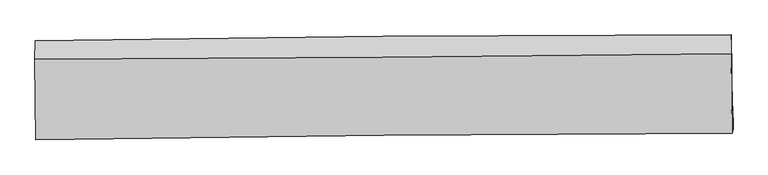
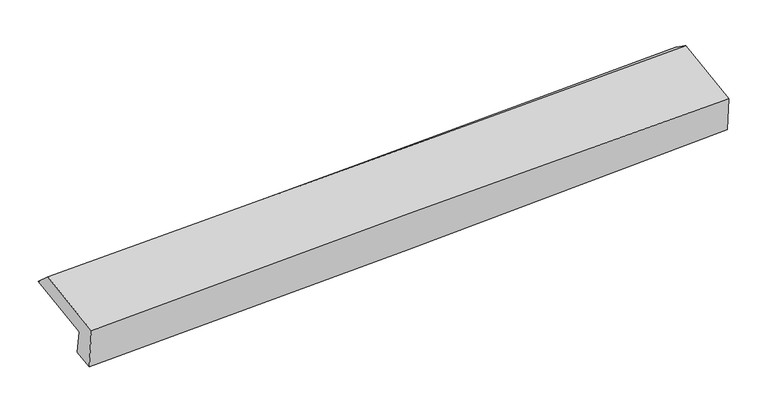
"""IFC4 building model written with IfcOpenShell, lengths in millimetres: proxy geometry."""

from ifc_helpers import new_model, si_unit, frame, origin, place, context, project, spatial, source, transform, mapped, element, save
from ifc_brep_helpers import plane_surface, spline_curve, spline_surface, advanced_brep


def generic_models_4285741c(model_context):
    return source(origin(), model_context, "Body", "AdvancedBrep", [
        advanced_brep(
        [(-3024.6461605, -1817.5095234, 1867.2776768), (-3032.6065884, -1160.2399624, 1977.7899645), (3004.2055662, -1110.642841, 2169.1564296), (3011.6869865, -1762.3874756, 2074.4084009), (-3018.5861489, -1773.4028366, 1637.303249), (3017.2203376, -1727.5151284, 1865.8672734), (-3016.2986499, -1962.8130192, 1605.6906832), (3019.5971716, -1924.3224605, 1833.0201231), (-3026.8922345, -2019.0294328, 2002.1169612), (3010.4799849, -1962.9226794, 2171.5774387), (-3035.313723, -1321.7107975, 2118.4994649), (3002.1695121, -1274.7963952, 2286.4257387)],
        [
            (0, 1),
            (1, 2, spline_curve(3, [(-3032.6065884, -1160.2399624, 1977.7899645), (-2026.1939003, -1142.620375314, 1997.828896268), (-1019.928669008, -1129.677478821, 2023.795185359), (992.342059434, -1113.14477774, 2087.583592444), (1998.347546409, -1109.555300629, 2125.406125259), (3004.2055662, -1110.642841, 2169.1564296)], [4, 2, 4], [0.0, 9.908246151452111, 19.81683875771643])),
            (2, 3),
            (3, 0, spline_curve(3, [(3011.6869865, -1762.3874756, 2074.4084009), (2005.921387455, -1775.210358032, 2031.057139034), (1000.002028292, -1786.215351859, 1992.120389717), (-1012.109031257, -1804.589240713, 1923.077123756), (-2018.300721318, -1811.958262696, 1892.97029841), (-3024.6461605, -1817.5095234, 1867.2776768)], [4, 2, 4], [0.0, 9.908592606264317, 19.81683875771643])),
            (4, 0),
            (3, 5),
            (5, 4, spline_curve(3, [(3017.2203376, -1727.5151284, 1865.8672734), (2011.458977277, -1737.759308434, 1821.672662584), (1005.5856274, -1746.705418063, 1780.528075539), (-1006.349875634, -1762.001229922, 1704.340280841), (-2012.412021618, -1768.351022843, 1669.296859862), (-3018.5861489, -1773.4028366, 1637.303249)], [4, 2, 4], [0.0, 9.9087500191825, 19.81715357804884])),
            (6, 4),
            (5, 7),
            (7, 6, spline_curve(3, [(3019.5971716, -1924.3224605, 1833.0201231), (2013.830848426, -1934.155723555, 1788.894094474), (1007.947572767, -1942.279927828, 1747.886683213), (-1004.01770908, -1955.109994666, 1672.110421572), (-2010.099707333, -1959.815976339, 1637.341352617), (-3016.2986499, -1962.8130192, 1605.6906832)], [4, 2, 4], [0.0, 9.908871709934228, 19.817396955297365])),
            (8, 6),
            (7, 9),
            (9, 8, spline_curve(3, [(3010.4799849, -1962.9226794, 2171.5774387), (2004.156773366, -1965.495636896, 2145.554514551), (997.872020571, -1971.457819208, 2118.42107965), (-1014.585383081, -1990.160307419, 2061.934176302), (-2020.758037051, -2002.900375898, 2032.580785127), (-3026.8922345, -2019.0294328, 2002.1169612)], [4, 2, 4], [0.0, 9.908448336643911, 19.816550223520014])),
            (10, 8),
            (9, 11),
            (11, 10, spline_curve(3, [(3002.1695121, -1274.7963952, 2286.4257387), (1995.962242306, -1286.969606518, 2258.800531684), (989.726207922, -1296.965776328, 2230.993824307), (-1022.768205585, -1312.603757876, 2175.018387104), (-2029.02658295, -1318.245722445, 2146.849669844), (-3035.313723, -1321.7107975, 2118.4994649)], [4, 2, 4], [0.0, 9.908320246040683, 19.816294046792258])),
            (1, 10),
            (11, 2),
        ],
        [
            spline_surface(3, 3, [[(-3024.6461605, -1817.5095234, 1867.2776768), (-2018.300721462, -1811.958262857, 1892.97029825), (-1012.10903135, -1804.58924069, 1923.077123738), (1000.002028385, -1786.215351882, 1992.120389735), (2005.921387308, -1775.210358112, 2031.057138948), (3011.6869865, -1762.3874756, 2074.4084009)], [(-3027.299636485, -1598.419669714, 1904.115106049), (-2020.931781066, -1588.84563363, 1927.923164313), (-1014.715577262, -1579.61865334, 1956.649810962), (997.448705406, -1561.858493846, 2023.941457352), (2003.396773718, -1553.325338909, 2062.506801071), (3009.193179756, -1545.139264041, 2105.991077149)], [(-3029.953112415, -1379.329816086, 1940.952535251), (-2023.562840615, -1365.733004462, 1962.876030328), (-1017.322123142, -1354.648066063, 1990.222498089), (994.89538246, -1337.501635884, 2055.762524873), (2000.87216006, -1331.440319783, 2093.956463146), (3006.699372944, -1327.891052559, 2137.573753351)], [(-3032.6065884, -1160.2399624, 1977.7899645), (-2026.193900219, -1142.620375236, 1997.828896391), (-1019.928669055, -1129.677478712, 2023.795185313), (992.342059481, -1113.144777849, 2087.58359249), (1998.34754647, -1109.555300581, 2125.406125269), (3004.2055662, -1110.642841, 2169.1564296)]], [4, 4], [4, 2, 4], [0.0, 2.234696860723522], [0.0, 9.908246151452111, 19.81683875771643]),
            spline_surface(3, 3, [[(-3018.5861489, -1773.4028366, 1637.303249), (-2012.412021687, -1768.351022974, 1669.2968597), (-1006.349875776, -1762.001229971, 1704.340280767), (1005.585627542, -1746.705418015, 1780.528075613), (2011.458977157, -1737.759308276, 1821.672662684), (3017.2203376, -1727.5151284, 1865.8672734)], [(-3020.606152771, -1788.105065553, 1713.961391587), (-2014.374921617, -1782.886769621, 1743.854672537), (-1008.269594289, -1776.197233545, 1777.252561733), (1003.724427834, -1759.875395971, 1851.058846964), (2009.613113864, -1750.242991572, 1891.467488094), (3015.375887224, -1739.13924415, 1935.380982555)], [(-3022.626156629, -1802.807294447, 1790.619534213), (-2016.337821532, -1797.42251621, 1818.412485413), (-1010.189312836, -1790.393237116, 1850.164842771), (1001.863228093, -1773.045373925, 1921.589618385), (2007.767250601, -1762.726674816, 1961.262313538), (3013.531436876, -1750.76335985, 2004.894691745)], [(-3024.6461605, -1817.5095234, 1867.2776768), (-2018.300721462, -1811.958262857, 1892.97029825), (-1012.10903135, -1804.58924069, 1923.077123738), (1000.002028385, -1786.215351882, 1992.120389735), (2005.921387308, -1775.210358112, 2031.057138948), (3011.6869865, -1762.3874756, 2074.4084009)]], [4, 4], [4, 2, 4], [0.0, 0.7188927407360156], [0.0, 9.908403558866338, 19.81715357804884]),
            spline_surface(3, 3, [[(-3016.2986499, -1962.8130192, 1605.6906832), (-2010.099707303, -1959.815976502, 1637.341352563), (-1004.017709168, -1955.109994609, 1672.11042145), (1007.947572854, -1942.279927885, 1747.886683335), (2013.830848531, -1934.155723552, 1788.894094415), (3019.5971716, -1924.3224605, 1833.0201231)], [(-3017.06114956, -1899.676291647, 1616.228205155), (-2010.870478758, -1895.994325306, 1647.993188297), (-1004.795098034, -1890.740406415, 1682.853707888), (1007.160257753, -1877.088424613, 1758.767147426), (2013.040224724, -1868.690251781, 1799.820283859), (3018.804893584, -1858.720016455, 1843.96917322)], [(-3017.82364924, -1836.539564153, 1626.765727045), (-2011.641250233, -1832.17267417, 1658.645023966), (-1005.572486909, -1826.370818165, 1693.596994329), (1006.372942643, -1811.896921286, 1769.647611522), (2012.249600965, -1803.224780047, 1810.74647324), (3018.012615616, -1793.117572445, 1854.91822328)], [(-3018.5861489, -1773.4028366, 1637.303249), (-2012.412021687, -1768.351022974, 1669.2968597), (-1006.349875776, -1762.001229971, 1704.340280767), (1005.585627542, -1746.705418015, 1780.528075613), (2011.458977157, -1737.759308276, 1821.672662684), (3017.2203376, -1727.5151284, 1865.8672734)]], [4, 4], [4, 2, 4], [0.0, 0.6464692312606685], [0.0, 9.908525245363137, 19.817396955297365]),
            spline_surface(3, 3, [[(-3026.8922345, -2019.0294328, 2002.1169612), (-2020.758036933, -2002.900376041, 2032.580785191), (-1014.585383159, -1990.160307393, 2061.934176227), (997.872020649, -1971.457819234, 2118.421079725), (2004.15677328, -1965.49563679, 2145.554514506), (3010.4799849, -1962.9226794, 2171.5774387)], [(-3023.361039616, -2000.290628269, 1869.974868515), (-2017.205260372, -1988.53890953, 1900.83430763), (-1011.062825192, -1978.476869791, 1931.992924657), (1001.230538021, -1961.731855443, 1994.909614284), (2007.381465028, -1955.048999064, 2026.667707782), (3013.51904713, -1950.055939787, 2058.725000139)], [(-3019.829844784, -1981.551823731, 1737.832775885), (-2013.652483864, -1974.177443012, 1769.087830124), (-1007.540267135, -1966.793432212, 1802.05167302), (1004.589055483, -1952.005891676, 1871.398148776), (2010.606156784, -1944.602361278, 1907.78090114), (3016.55810937, -1937.189200113, 1945.872561661)], [(-3016.2986499, -1962.8130192, 1605.6906832), (-2010.099707303, -1959.815976502, 1637.341352563), (-1004.017709168, -1955.109994609, 1672.11042145), (1007.947572854, -1942.279927885, 1747.886683335), (2013.830848531, -1934.155723552, 1788.894094415), (3019.5971716, -1924.3224605, 1833.0201231)]], [4, 4], [4, 2, 4], [0.0, 1.2522055923110125], [0.0, 9.908101886876103, 19.816550223520014]),
            spline_surface(3, 3, [[(-3035.313723, -1321.7107975, 2118.4994649), (-2029.026583046, -1318.245722584, 2146.849669895), (-1022.768205694, -1312.60375803, 2175.018387058), (989.726208031, -1296.965776174, 2230.993824352), (1995.962242353, -1286.969606617, 2258.800531786), (3002.1695121, -1274.7963952, 2286.4257387)], [(-3032.506560182, -1554.150342601, 2079.705296995), (-2026.270401024, -1546.463940404, 2108.760041655), (-1020.040598175, -1538.455941148, 2137.32365009), (992.44147891, -1521.796457191, 2193.469576119), (1998.693752664, -1513.144949982, 2221.051859361), (3004.939669702, -1504.17182324, 2248.142972035)], [(-3029.699397318, -1786.589887699, 2040.911129105), (-2023.514218955, -1774.682158221, 2070.670413431), (-1017.312990677, -1764.308124275, 2099.628913195), (995.15674977, -1746.627138217, 2155.945327959), (2001.425262969, -1739.320293425, 2183.30318693), (3007.709827298, -1733.54725136, 2209.860205365)], [(-3026.8922345, -2019.0294328, 2002.1169612), (-2020.758036933, -2002.900376041, 2032.580785191), (-1014.585383159, -1990.160307393, 2061.934176227), (997.872020649, -1971.457819234, 2118.421079725), (2004.15677328, -1965.49563679, 2145.554514506), (3010.4799849, -1962.9226794, 2171.5774387)]], [4, 4], [4, 2, 4], [0.0, 2.248765533775836], [0.0, 9.907973800751575, 19.816294046792258]),
            spline_surface(3, 3, [[(-3032.6065884, -1160.2399624, 1977.7899645), (-2026.193900219, -1142.620375236, 1997.828896391), (-1019.928669055, -1129.677478712, 2023.795185313), (992.342059481, -1113.144777849, 2087.58359249), (1998.34754647, -1109.555300581, 2125.406125269), (3004.2055662, -1110.642841, 2169.1564296)], [(-3033.508966585, -1214.063574117, 2024.693131299), (-2027.138127813, -1201.162157702, 2047.502487558), (-1020.875181247, -1190.652905167, 2074.202919223), (991.470109018, -1174.418443973, 2135.387003105), (1997.552445101, -1168.69340262, 2169.870927442), (3003.526881504, -1165.360692427, 2208.246199301)], [(-3034.411344815, -1267.887185783, 2071.596298101), (-2028.082355451, -1259.703940118, 2097.176078728), (-1021.821693501, -1251.628331575, 2124.610653148), (990.598158494, -1235.69211005, 2183.190413736), (1996.757343722, -1227.831504578, 2214.335729613), (3002.848196796, -1220.078543773, 2247.335968999)], [(-3035.313723, -1321.7107975, 2118.4994649), (-2029.026583046, -1318.245722584, 2146.849669895), (-1022.768205694, -1312.60375803, 2175.018387058), (989.726208031, -1296.965776174, 2230.993824352), (1995.962242353, -1286.969606617, 2258.800531786), (3002.1695121, -1274.7963952, 2286.4257387)]], [4, 4], [4, 2, 4], [0.0, 0.7717684217478331], [0.0, 9.908031948915792, 19.81641034515392]),
            plane_surface(frame((3010.8932598, -1627.09783, 2066.7425674), z_axis=(0.9995867680109344, 0.007437755006467476, 0.027766400881613168), x_axis=(0.026746607527063364, 0.1132394168034562, -0.9932076587843081))),
            plane_surface(frame((-3025.7239175, -1675.784262, 1868.1129999), z_axis=(-0.9995867680108251, -0.007437755005684698, -0.027766400885756295), x_axis=(0.011942856806733685, -0.9860872172703858, -0.16579918005599698))),
        ],
        [
            (0, [[1, 2, 3, 4]]),
            (1, [[5, -4, 6, 7]]),
            (2, [[8, -7, 9, 10]]),
            (3, [[11, -10, 12, 13]]),
            (4, [[14, -13, 15, 16]]),
            (5, [[17, -16, 18, -2]]),
            (6, [[-12, -9, -6, -3, -18, -15]]),
            (7, [[-1, -5, -8, -11, -14, -17]]),
        ],
    ),
    ])


if __name__ == "__main__":
    model = new_model("IFC4")
    model_context = context("Model", 3, world=origin())
    ifc_project = project(units=[si_unit("LENGTHUNIT", "METRE", prefix="MILLI")], contexts=[model_context])
    site = spatial("IfcSite", under=ifc_project)
    building = spatial("IfcBuilding", under=site)
    placement = place(None, origin())
    generic_models_shape = generic_models_4285741c(model_context)
    element("IfcBuildingElementProxy", 1, Name="Generic Models", at=placement, inside=building, context=model_context, shape_type="MappedRepresentation", body=[
        mapped(generic_models_shape, transform((0.0, 0.0, 0.0), x_axis=(1.0, 0.0, 0.0), y_axis=(0.0, 1.0, 0.0), z_axis=(0.0, 0.0, 1.0))),
    ])
    save(model, "model.ifc")
